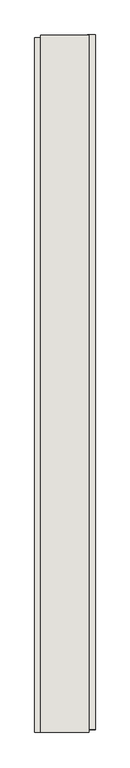
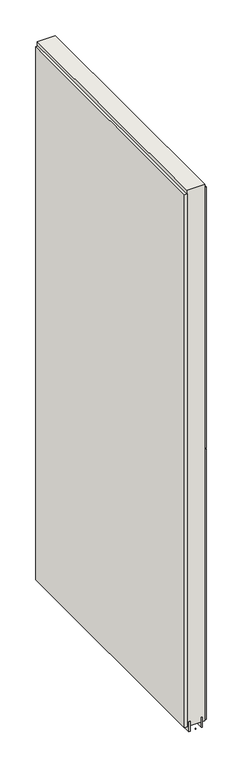
"""IFC4 building model written with IfcOpenShell, lengths in millimetres: wall geometry."""

from ifc_helpers import new_model, si_unit, frame, origin, place, context, project, spatial, polyline, outline, extrude, source, transform, mapped, element, save


def wall_ef7f0602(model_context):
    return source(origin(), model_context, "Body", "SweptSolid", [
        extrude(outline(polyline([(67489.742211, -54559.0003306), (67489.742211, -54556.4603306), (67492.282211, -54556.4603306), (67492.282211, -54559.0003306), (67489.742211, -54559.0003306)])), frame((0.0, 0.0, 4419.6), z_axis=(0.0, 0.0, 1.0), x_axis=(1.0, 0.0, 0.0)), (0.0, 0.0, 1.0), 2.54),
        extrude(outline(polyline([(67541.812211, -53389.4889536), (67541.812211, -54554.5331056), (67529.112211, -54554.5331056), (67529.112211, -53389.4889536), (67541.812211, -53389.4889536)])), frame((0.0, 0.0, 5742.4000722), z_axis=(0.0, 0.0, 1.0), x_axis=(1.0, 0.0, 0.0)), (0.0, 0.0, 1.0), 1247.649905),
        extrude(outline(polyline([(67541.812211, -53389.4889536), (67541.812211, -54554.5331056), (67529.112211, -54554.5331056), (67529.112211, -53389.4889536), (67541.812211, -53389.4889536)])), frame((0.0, 0.0, 4445.0), z_axis=(0.0, 0.0, 1.0), x_axis=(1.0, 0.0, 0.0)), (0.0, 0.0, 1.0), 1293.400004),
        extrude(outline(polyline([(67440.212211, -54559.46924), (67440.212211, -53394.425088), (67452.912211, -53394.425088), (67452.912211, -54559.46924), (67440.212211, -54559.46924)])), frame((0.0, 0.0, 4445.0), z_axis=(0.0, 0.0, 1.0), x_axis=(1.0, 0.0, 0.0)), (0.0, 0.0, 1.0), 2545.0498756),
        extrude(outline(polyline([(67516.0959556, -54558.9953522), (67516.0959556, -53389.9628414), (67521.174711, -53389.9628414), (67521.174711, -54558.9953522), (67516.0959556, -54558.9953522)])), frame((0.0, 0.0, 4418.6602), z_axis=(0.0, 0.0, 1.0), x_axis=(1.0, 0.0, 0.0)), (0.0, 0.0, 1.0), 47.625),
        extrude(outline(polyline([(67516.0959556, -54558.9953522), (67516.0959556, -53389.9628414), (67521.174711, -53389.9628414), (67521.174711, -54558.9953522), (67516.0959556, -54558.9953522)])), frame((0.0, 0.0, 4418.6602), z_axis=(0.0, 0.0, 1.0), x_axis=(1.0, 0.0, 0.0)), (0.0, 0.0, 1.0), 47.625),
        extrude(outline(polyline([(67465.9284664, -53389.9628414), (67465.9284664, -54558.9953522), (67460.849711, -54558.9953522), (67460.849711, -53389.9628414), (67465.9284664, -53389.9628414)])), frame((0.0, 0.0, 4418.6602), z_axis=(0.0, 0.0, 1.0), x_axis=(1.0, 0.0, 0.0)), (0.0, 0.0, 1.0), 47.625),
        extrude(outline(polyline([(67465.9284664, -53389.9628414), (67465.9284664, -54558.9953522), (67460.849711, -54558.9953522), (67460.849711, -53389.9628414), (67465.9284664, -53389.9628414)])), frame((0.0, 0.0, 4418.6602), z_axis=(0.0, 0.0, 1.0), x_axis=(1.0, 0.0, 0.0)), (0.0, 0.0, 1.0), 47.625),
        extrude(outline(polyline([(67531.6670954, -54558.9953522), (67450.3573266, -54558.9953522), (67450.3573266, -53389.9628414), (67531.6670954, -53389.9628414), (67531.6670954, -54558.9953522)])), frame((0.0, 0.0, 4445.0), z_axis=(0.0, 0.0, 1.0), x_axis=(1.0, 0.0, 0.0)), (0.0, 0.0, 1.0), 2562.4536762),
    ])


if __name__ == "__main__":
    model = new_model("IFC4")
    model_context = context("Model", 3, world=origin())
    ifc_project = project(units=[si_unit("LENGTHUNIT", "METRE", prefix="MILLI")], contexts=[model_context])
    site = spatial("IfcSite", under=ifc_project)
    building = spatial("IfcBuilding", under=site)
    placement = place(None, origin())
    wall_shape = wall_ef7f0602(model_context)
    element("IfcWall", 1, at=placement, inside=building, context=model_context, shape_type="MappedRepresentation", body=[
        mapped(wall_shape, transform((0.0, 0.0, 0.0), x_axis=(1.0, 0.0, 0.0), y_axis=(0.0, 1.0, 0.0), z_axis=(0.0, 0.0, 1.0))),
    ])
    save(model, "model.ifc")
